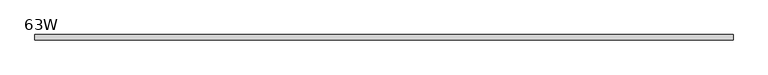
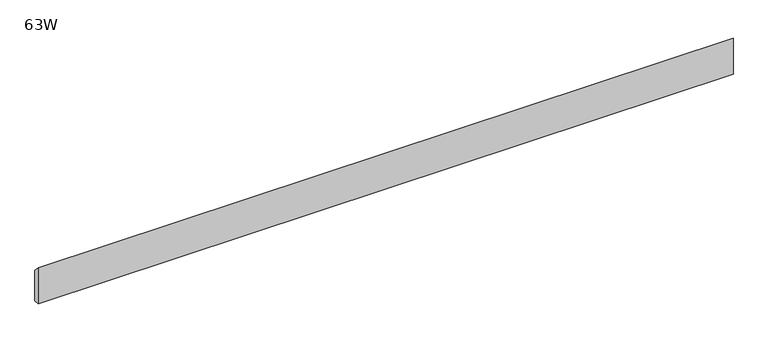
"""IFC4 building model written with IfcOpenShell, lengths in millimetres: furniture geometry, 63W."""

from ifc_helpers import new_model, si_unit, frame, origin, place, context, project, spatial, polyline, outline, extrude, source, transform, mapped, element, save


def furniture_63w_83202731(model_context):
    return source(origin(), model_context, "Body", "SweptSolid", [
        extrude(outline(polyline([(-11.938, 677.7482), (-11.938, 760.2982), (0.0, 747.5982), (0.0, 677.7482), (-11.938, 677.7482)])), frame((48.006, 0.0, 0.0), z_axis=(1.0, 0.0, 0.0), x_axis=(0.0, 1.0, 0.0)), (0.0, 0.0, 1.0), 1504.188),
    ])


if __name__ == "__main__":
    model = new_model("IFC4")
    model_context = context("Model", 3, world=origin())
    ifc_project = project(units=[si_unit("LENGTHUNIT", "METRE", prefix="MILLI")], contexts=[model_context])
    site = spatial("IfcSite", under=ifc_project)
    building = spatial("IfcBuilding", under=site)
    placement = place(None, origin())
    furniture_63w_shape = furniture_63w_83202731(model_context)
    element("IfcFurniture", 1, ObjectType="63W", at=placement, inside=building, context=model_context, shape_type="MappedRepresentation", body=[
        mapped(furniture_63w_shape, transform((0.0, 0.0, 0.0), x_axis=(1.0, 0.0, 0.0), y_axis=(0.0, 1.0, 0.0), z_axis=(0.0, 0.0, 1.0))),
    ])
    save(model, "model.ifc")
